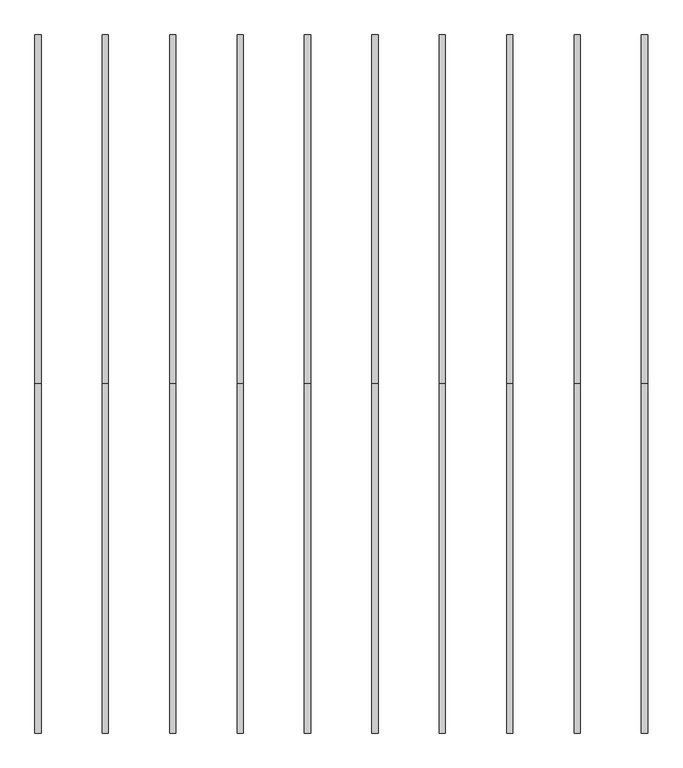
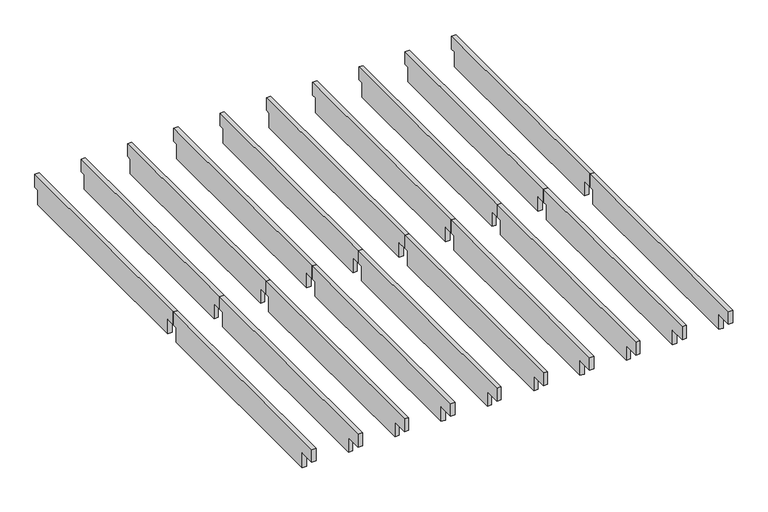
"""IFC4 building model written with IfcOpenShell, lengths in millimetres: furniture geometry."""

from ifc_helpers import new_model, si_unit, frame, origin, place, context, project, spatial, polyline, outline, extrude, source, transform, mapped, element, save


def furniture_2f495683(model_context):
    return source(origin(), model_context, "Body", "SweptSolid", [
        extrude(outline(polyline([(-1578.8386, 2354.2752), (-1578.8386, 2265.3752), (-1611.8586, 2265.3752), (-1611.8586, 2163.7752), (-3048.8382, 2163.7752), (-3048.8382, 2265.3752), (-3157.6772, 2265.3752), (-3157.6772, 2354.2752), (-1578.8386, 2354.2752)])), frame((2729.2046, 0.0, 0.0), z_axis=(1.0, 0.0, 0.0), x_axis=(0.0, 1.0, 0.0)), (0.0, 0.0, 1.0), 27.9908),
        extrude(outline(polyline([(-1578.8386, 2354.2752), (0.0, 2354.2752), (0.0, 2265.3752), (-33.02, 2265.3752), (-33.02, 2163.7752), (-1515.7196, 2163.7752), (-1515.7196, 2265.3752), (-1578.8386, 2265.3752), (-1578.8386, 2354.2752)])), frame((2729.2046, 0.0, 0.0), z_axis=(1.0, 0.0, 0.0), x_axis=(0.0, 1.0, 0.0)), (0.0, 0.0, 1.0), 27.9908),
        extrude(outline(polyline([(-1578.8386, 2354.2752), (-1578.8386, 2265.3752), (-1611.8586, 2265.3752), (-1611.8586, 2163.7752), (-3048.8382, 2163.7752), (-3048.8382, 2265.3752), (-3157.6772, 2265.3752), (-3157.6772, 2354.2752), (-1578.8386, 2354.2752)])), frame((2424.4046, 0.0, 0.0), z_axis=(1.0, 0.0, 0.0), x_axis=(0.0, 1.0, 0.0)), (0.0, 0.0, 1.0), 27.9908),
        extrude(outline(polyline([(-1578.8386, 2354.2752), (0.0, 2354.2752), (0.0, 2265.3752), (-33.02, 2265.3752), (-33.02, 2163.7752), (-1515.7196, 2163.7752), (-1515.7196, 2265.3752), (-1578.8386, 2265.3752), (-1578.8386, 2354.2752)])), frame((2424.4046, 0.0, 0.0), z_axis=(1.0, 0.0, 0.0), x_axis=(0.0, 1.0, 0.0)), (0.0, 0.0, 1.0), 27.9908),
        extrude(outline(polyline([(-1578.8386, 2354.2752), (-1578.8386, 2265.3752), (-1611.8586, 2265.3752), (-1611.8586, 2163.7752), (-3048.8382, 2163.7752), (-3048.8382, 2265.3752), (-3157.6772, 2265.3752), (-3157.6772, 2354.2752), (-1578.8386, 2354.2752)])), frame((2119.6046, 0.0, 0.0), z_axis=(1.0, 0.0, 0.0), x_axis=(0.0, 1.0, 0.0)), (0.0, 0.0, 1.0), 27.9908),
        extrude(outline(polyline([(-1578.8386, 2354.2752), (0.0, 2354.2752), (0.0, 2265.3752), (-33.02, 2265.3752), (-33.02, 2163.7752), (-1515.7196, 2163.7752), (-1515.7196, 2265.3752), (-1578.8386, 2265.3752), (-1578.8386, 2354.2752)])), frame((2119.6046, 0.0, 0.0), z_axis=(1.0, 0.0, 0.0), x_axis=(0.0, 1.0, 0.0)), (0.0, 0.0, 1.0), 27.9908),
        extrude(outline(polyline([(-1578.8386, 2354.2752), (-1578.8386, 2265.3752), (-1611.8586, 2265.3752), (-1611.8586, 2163.7752), (-3048.8382, 2163.7752), (-3048.8382, 2265.3752), (-3157.6772, 2265.3752), (-3157.6772, 2354.2752), (-1578.8386, 2354.2752)])), frame((1814.8046, 0.0, 0.0), z_axis=(1.0, 0.0, 0.0), x_axis=(0.0, 1.0, 0.0)), (0.0, 0.0, 1.0), 27.9908),
        extrude(outline(polyline([(-1578.8386, 2354.2752), (0.0, 2354.2752), (0.0, 2265.3752), (-33.02, 2265.3752), (-33.02, 2163.7752), (-1515.7196, 2163.7752), (-1515.7196, 2265.3752), (-1578.8386, 2265.3752), (-1578.8386, 2354.2752)])), frame((1814.8046, 0.0, 0.0), z_axis=(1.0, 0.0, 0.0), x_axis=(0.0, 1.0, 0.0)), (0.0, 0.0, 1.0), 27.9908),
        extrude(outline(polyline([(-1578.8386, 2354.2752), (-1578.8386, 2265.3752), (-1611.8586, 2265.3752), (-1611.8586, 2163.7752), (-3048.8382, 2163.7752), (-3048.8382, 2265.3752), (-3157.6772, 2265.3752), (-3157.6772, 2354.2752), (-1578.8386, 2354.2752)])), frame((1510.0046, 0.0, 0.0), z_axis=(1.0, 0.0, 0.0), x_axis=(0.0, 1.0, 0.0)), (0.0, 0.0, 1.0), 27.9908),
        extrude(outline(polyline([(-1578.8386, 2354.2752), (0.0, 2354.2752), (0.0, 2265.3752), (-33.02, 2265.3752), (-33.02, 2163.7752), (-1515.7196, 2163.7752), (-1515.7196, 2265.3752), (-1578.8386, 2265.3752), (-1578.8386, 2354.2752)])), frame((1510.0046, 0.0, 0.0), z_axis=(1.0, 0.0, 0.0), x_axis=(0.0, 1.0, 0.0)), (0.0, 0.0, 1.0), 27.9908),
        extrude(outline(polyline([(-1578.8386, 2354.2752), (-1578.8386, 2265.3752), (-1611.8586, 2265.3752), (-1611.8586, 2163.7752), (-3048.8382, 2163.7752), (-3048.8382, 2265.3752), (-3157.6772, 2265.3752), (-3157.6772, 2354.2752), (-1578.8386, 2354.2752)])), frame((1205.2046, 0.0, 0.0), z_axis=(1.0, 0.0, 0.0), x_axis=(0.0, 1.0, 0.0)), (0.0, 0.0, 1.0), 27.9908),
        extrude(outline(polyline([(-1578.8386, 2354.2752), (0.0, 2354.2752), (0.0, 2265.3752), (-33.02, 2265.3752), (-33.02, 2163.7752), (-1515.7196, 2163.7752), (-1515.7196, 2265.3752), (-1578.8386, 2265.3752), (-1578.8386, 2354.2752)])), frame((1205.2046, 0.0, 0.0), z_axis=(1.0, 0.0, 0.0), x_axis=(0.0, 1.0, 0.0)), (0.0, 0.0, 1.0), 27.9908),
        extrude(outline(polyline([(-1578.8386, 2354.2752), (-1578.8386, 2265.3752), (-1611.8586, 2265.3752), (-1611.8586, 2163.7752), (-3048.8382, 2163.7752), (-3048.8382, 2265.3752), (-3157.6772, 2265.3752), (-3157.6772, 2354.2752), (-1578.8386, 2354.2752)])), frame((900.4046, 0.0, 0.0), z_axis=(1.0, 0.0, 0.0), x_axis=(0.0, 1.0, 0.0)), (0.0, 0.0, 1.0), 27.9908),
        extrude(outline(polyline([(-1578.8386, 2354.2752), (0.0, 2354.2752), (0.0, 2265.3752), (-33.02, 2265.3752), (-33.02, 2163.7752), (-1515.7196, 2163.7752), (-1515.7196, 2265.3752), (-1578.8386, 2265.3752), (-1578.8386, 2354.2752)])), frame((900.4046, 0.0, 0.0), z_axis=(1.0, 0.0, 0.0), x_axis=(0.0, 1.0, 0.0)), (0.0, 0.0, 1.0), 27.9908),
        extrude(outline(polyline([(-1578.8386, 2354.2752), (-1578.8386, 2265.3752), (-1611.8586, 2265.3752), (-1611.8586, 2163.7752), (-3048.8382, 2163.7752), (-3048.8382, 2265.3752), (-3157.6772, 2265.3752), (-3157.6772, 2354.2752), (-1578.8386, 2354.2752)])), frame((595.6046, 0.0, 0.0), z_axis=(1.0, 0.0, 0.0), x_axis=(0.0, 1.0, 0.0)), (0.0, 0.0, 1.0), 27.9908),
        extrude(outline(polyline([(-1578.8386, 2354.2752), (0.0, 2354.2752), (0.0, 2265.3752), (-33.02, 2265.3752), (-33.02, 2163.7752), (-1515.7196, 2163.7752), (-1515.7196, 2265.3752), (-1578.8386, 2265.3752), (-1578.8386, 2354.2752)])), frame((595.6046, 0.0, 0.0), z_axis=(1.0, 0.0, 0.0), x_axis=(0.0, 1.0, 0.0)), (0.0, 0.0, 1.0), 27.9908),
        extrude(outline(polyline([(-1578.8386, 2354.2752), (-1578.8386, 2265.3752), (-1611.8586, 2265.3752), (-1611.8586, 2163.7752), (-3048.8382, 2163.7752), (-3048.8382, 2265.3752), (-3157.6772, 2265.3752), (-3157.6772, 2354.2752), (-1578.8386, 2354.2752)])), frame((290.8046, 0.0, 0.0), z_axis=(1.0, 0.0, 0.0), x_axis=(0.0, 1.0, 0.0)), (0.0, 0.0, 1.0), 27.9908),
        extrude(outline(polyline([(-1578.8386, 2354.2752), (0.0, 2354.2752), (0.0, 2265.3752), (-33.02, 2265.3752), (-33.02, 2163.7752), (-1515.7196, 2163.7752), (-1515.7196, 2265.3752), (-1578.8386, 2265.3752), (-1578.8386, 2354.2752)])), frame((290.8046, 0.0, 0.0), z_axis=(1.0, 0.0, 0.0), x_axis=(0.0, 1.0, 0.0)), (0.0, 0.0, 1.0), 27.9908),
        extrude(outline(polyline([(-1578.8386, 2354.2752), (-1578.8386, 2265.3752), (-1611.8586, 2265.3752), (-1611.8586, 2163.7752), (-3048.8382, 2163.7752), (-3048.8382, 2265.3752), (-3157.6772, 2265.3752), (-3157.6772, 2354.2752), (-1578.8386, 2354.2752)])), frame((-13.9954, 0.0, 0.0), z_axis=(1.0, 0.0, 0.0), x_axis=(0.0, 1.0, 0.0)), (0.0, 0.0, 1.0), 27.9908),
        extrude(outline(polyline([(-1578.8386, 2354.2752), (0.0, 2354.2752), (0.0, 2265.3752), (-33.02, 2265.3752), (-33.02, 2163.7752), (-1515.7196, 2163.7752), (-1515.7196, 2265.3752), (-1578.8386, 2265.3752), (-1578.8386, 2354.2752)])), frame((-13.9954, 0.0, 0.0), z_axis=(1.0, 0.0, 0.0), x_axis=(0.0, 1.0, 0.0)), (0.0, 0.0, 1.0), 27.9908),
    ])


if __name__ == "__main__":
    model = new_model("IFC4")
    model_context = context("Model", 3, world=origin())
    ifc_project = project(units=[si_unit("LENGTHUNIT", "METRE", prefix="MILLI")], contexts=[model_context])
    site = spatial("IfcSite", under=ifc_project)
    building = spatial("IfcBuilding", under=site)
    placement = place(None, origin())
    furniture_shape = furniture_2f495683(model_context)
    element("IfcFurniture", 1, at=placement, inside=building, context=model_context, shape_type="MappedRepresentation", body=[
        mapped(furniture_shape, transform((0.0, 0.0, 0.0), x_axis=(1.0, 0.0, 0.0), y_axis=(0.0, 1.0, 0.0), z_axis=(0.0, 0.0, 1.0))),
    ])
    save(model, "model.ifc")
